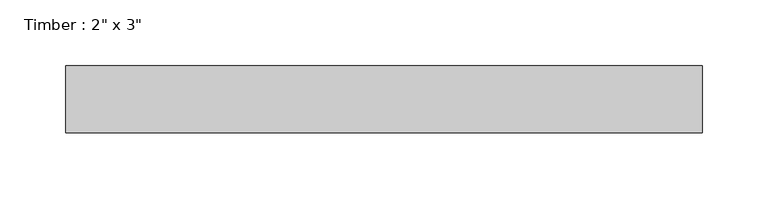
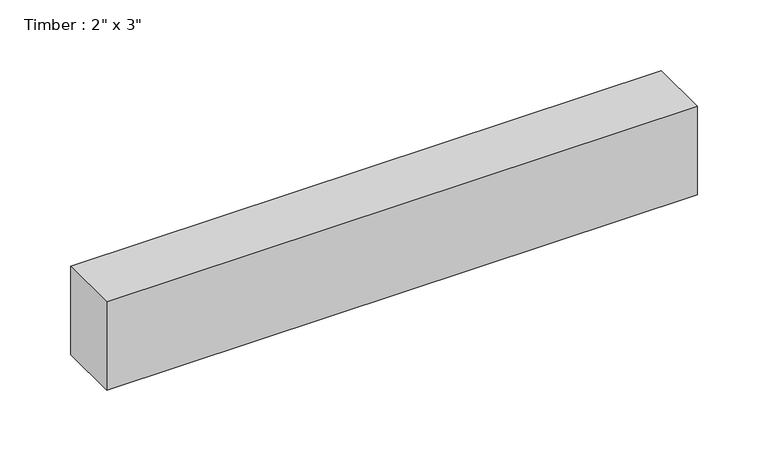
"""IFC4 building model written with IfcOpenShell, lengths in millimetres: beam geometry."""

from ifc_helpers import new_model, si_unit, frame, origin, place, context, project, spatial, polyline, outline, extrude, source, transform, mapped, element, save


def beam_314f7e3e(model_context):
    return source(origin(), model_context, "Body", "SweptSolid", [
        extrude(outline(polyline([(241.264089, 25.4), (241.264089, -25.4), (-241.264089, -25.4), (-241.264089, 25.4), (241.264089, 25.4)])), frame((0.0, 0.0, -38.1), z_axis=(0.0, 0.0, 1.0), x_axis=(1.0, 0.0, 0.0)), (0.0, 0.0, 1.0), 76.2),
    ])


if __name__ == "__main__":
    model = new_model("IFC4")
    model_context = context("Model", 3, world=origin())
    ifc_project = project(units=[si_unit("LENGTHUNIT", "METRE", prefix="MILLI")], contexts=[model_context])
    site = spatial("IfcSite", under=ifc_project)
    building = spatial("IfcBuilding", under=site)
    placement = place(None, origin())
    beam_shape = beam_314f7e3e(model_context)
    element("IfcBeam", 1, ObjectType="Timber : 2\" x 3\"", at=placement, inside=building, context=model_context, shape_type="MappedRepresentation", body=[
        mapped(beam_shape, transform((0.0, 0.0, 0.0), x_axis=(1.0, 0.0, 0.0), y_axis=(0.0, 1.0, 0.0), z_axis=(0.0, 0.0, 1.0))),
    ])
    save(model, "model.ifc")
